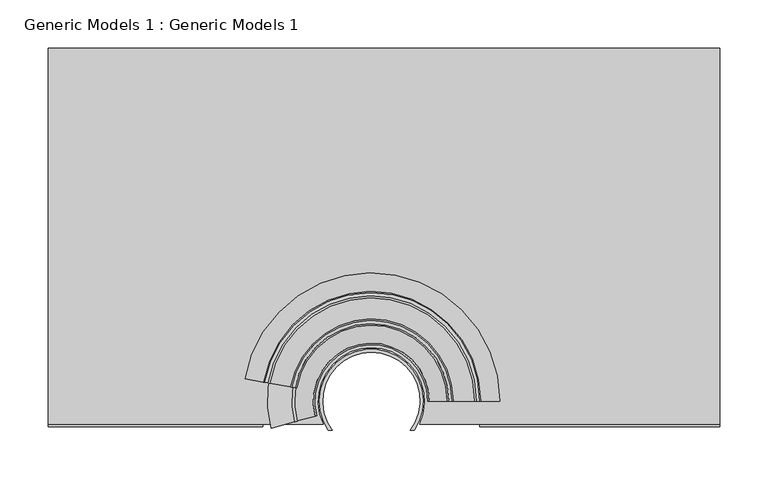
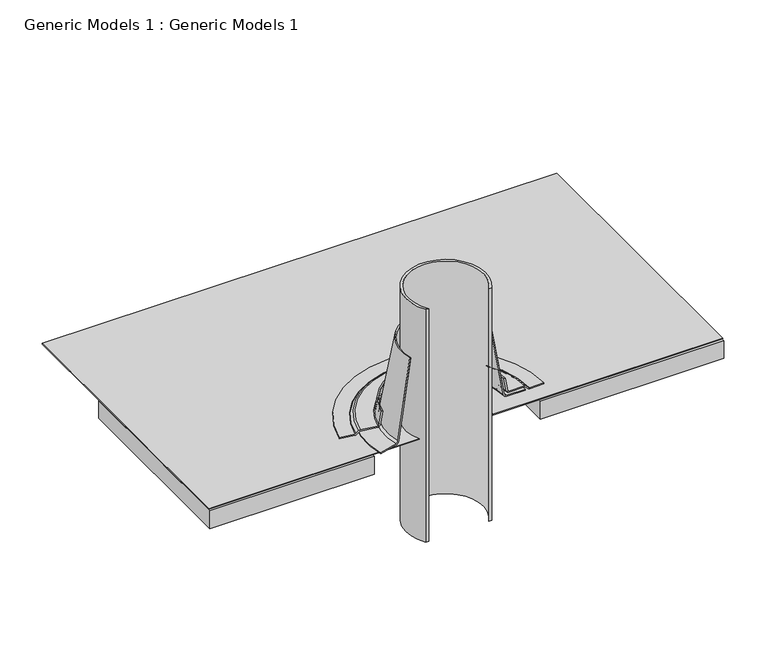
"""IFC4 building model written with IfcOpenShell, lengths in millimetres: proxy geometry, Generic Models 1 : Generic Models 1."""

from ifc_helpers import new_model, si_unit, point, frame, frame_2d, origin, place, context, project, spatial, polyline, circle_curve, ellipse_curve, trimmed, segment, composite_curve, outline, extrude, source, transform, mapped, element, save
from ifc_brep_helpers import plane_surface, cylinder_surface, revolved_surface, advanced_brep


def generic_models_1_generic_models_1_8a717d6e(model_context):
    return source(origin(), model_context, "Body", "SolidModel", [
        advanced_brep(
        [(103.8980784, 26.8183165, 394.3616887), (107.2501183, 26.8183165, 375.3513261), (110.3768829, 26.8183165, 372.727659), (132.2173863, 26.8183165, 372.727659), (133.3399183, 26.8183165, 372.2626911), (136.7075143, 26.8183165, 368.895095), (138.9525784, 26.8183165, 367.965159), (158.2749503, 26.8183165, 367.965159), (158.2749503, 26.8183165, 369.552659), (138.9525784, 26.8183165, 369.552659), (137.8300464, 26.8183165, 370.017627), (134.4624503, 26.8183165, 373.3852231), (132.2173863, 26.8183165, 374.315159), (110.3768829, 26.8183165, 374.315159), (108.8135006, 26.8183165, 375.6269926), (105.4614607, 26.8183165, 394.6373551), (-52.8483986, 40.5318563, 394.3616887), (-54.3880296, 40.8033348, 394.6373551), (-57.6891444, 41.3854104, 375.6269926), (-59.2287754, 41.6568889, 374.315159), (-80.7374725, 45.4494525, 374.315159), (-82.9484289, 45.8393037, 373.3852231), (-86.2648636, 46.4240807, 370.017627), (-87.3703419, 46.6190063, 369.552659), (-106.3991636, 49.974301, 369.552659), (-106.3991636, 49.974301, 367.965159), (-87.3703419, 46.6190063, 367.965159), (-85.1593854, 46.229155, 368.895095), (-81.8429507, 45.6443781, 372.2626911), (-80.7374725, 45.4494525, 372.727659), (-59.2287754, 41.6568889, 372.727659), (-56.1495134, 41.1139319, 375.3513261)],
        [
            (0, 1),
            (1, 2, circle_curve(frame((110.3768829, 26.8183165, 375.902659), z_axis=(0.0, -1.0, 0.0), x_axis=(1.0, 0.0, 0.0)), 3.175)),
            (2, 3),
            (3, 4, circle_curve(frame((132.2173863, 26.8183165, 371.140159), z_axis=(0.0, 1.0, 0.0), x_axis=(1.0, 0.0, 0.0)), 1.5875)),
            (4, 5),
            (5, 6, circle_curve(frame((138.9525784, 26.8183165, 371.140159), z_axis=(0.0, -1.0, 0.0), x_axis=(1.0, 0.0, 0.0)), 3.175)),
            (6, 7),
            (7, 8),
            (8, 9),
            (9, 10, circle_curve(frame((138.9525784, 26.8183165, 371.140159), z_axis=(0.0, 1.0, 0.0), x_axis=(1.0, 0.0, 0.0)), 1.5875)),
            (10, 11),
            (11, 12, circle_curve(frame((132.2173863, 26.8183165, 371.140159), z_axis=(0.0, -1.0, 0.0), x_axis=(1.0, 0.0, 0.0)), 3.175)),
            (12, 13),
            (13, 14, circle_curve(frame((110.3768829, 26.8183165, 375.902659), z_axis=(0.0, 1.0, 0.0), x_axis=(1.0, 0.0, 0.0)), 1.5875)),
            (14, 15),
            (15, 0),
            (16, 17),
            (17, 18),
            (18, 19, circle_curve(frame((-59.2287754, 41.6568889, 375.902659), z_axis=(0.17364817766693683, 0.9848077530122069, 0.0), x_axis=(-0.9848077530122069, 0.17364817766693683, 0.0)), 1.5875)),
            (19, 20),
            (20, 21, circle_curve(frame((-80.7374725, 45.4494525, 371.140159), z_axis=(-0.17364817766693683, -0.9848077530122069, 0.0), x_axis=(-0.9848077530122069, 0.17364817766693683, 0.0)), 3.175)),
            (21, 22),
            (22, 23, circle_curve(frame((-87.3703419, 46.6190063, 371.140159), z_axis=(0.17364817766693683, 0.9848077530122069, 0.0), x_axis=(-0.9848077530122069, 0.17364817766693683, 0.0)), 1.5875)),
            (23, 24),
            (24, 25),
            (25, 26),
            (26, 27, circle_curve(frame((-87.3703419, 46.6190063, 371.140159), z_axis=(-0.17364817766693683, -0.9848077530122069, 0.0), x_axis=(-0.9848077530122069, 0.17364817766693683, 0.0)), 3.175)),
            (27, 28),
            (28, 29, circle_curve(frame((-80.7374725, 45.4494525, 371.140159), z_axis=(0.17364817766693683, 0.9848077530122069, 0.0), x_axis=(-0.9848077530122069, 0.17364817766693683, 0.0)), 1.5875)),
            (29, 30),
            (30, 31, circle_curve(frame((-59.2287754, 41.6568889, 375.902659), z_axis=(-0.17364817766693683, -0.9848077530122069, 0.0), x_axis=(-0.9848077530122069, 0.17364817766693683, 0.0)), 3.175)),
            (31, 16),
            (31, 1, circle_curve(frame((24.9249503, 26.8183165, 375.3513261), z_axis=(0.0, 0.0, -1.0), x_axis=(1.0, 0.0, 0.0)), 82.325168)),
            (0, 16, circle_curve(frame((24.9249503, 26.8183165, 394.3616887), z_axis=(0.0, 0.0, 1.0), x_axis=(1.0, 0.0, 0.0)), 78.9731281)),
            (30, 2, circle_curve(frame((24.9249503, 26.8183165, 372.727659), z_axis=(0.0, 0.0, -1.0), x_axis=(1.0, 0.0, 0.0)), 85.4519326)),
            (29, 3, circle_curve(frame((24.9249503, 26.8183165, 372.727659), z_axis=(0.0, 0.0, -1.0), x_axis=(1.0, 0.0, 0.0)), 107.292436)),
            (28, 4, circle_curve(frame((24.9249503, 26.8183165, 372.2626911), z_axis=(0.0, 0.0, -1.0), x_axis=(1.0, 0.0, 0.0)), 108.414968)),
            (27, 5, circle_curve(frame((24.9249503, 26.8183165, 368.895095), z_axis=(0.0, 0.0, -1.0), x_axis=(1.0, 0.0, 0.0)), 111.782564)),
            (26, 6, circle_curve(frame((24.9249503, 26.8183165, 367.965159), z_axis=(0.0, 0.0, -1.0), x_axis=(1.0, 0.0, 0.0)), 114.0276281)),
            (25, 7, circle_curve(frame((24.9249503, 26.8183165, 367.965159), z_axis=(0.0, 0.0, -1.0), x_axis=(1.0, 0.0, 0.0)), 133.35)),
            (24, 8, circle_curve(frame((24.9249503, 26.8183165, 369.552659), z_axis=(0.0, 0.0, -1.0), x_axis=(1.0, 0.0, 0.0)), 133.35)),
            (23, 9, circle_curve(frame((24.9249503, 26.8183165, 369.552659), z_axis=(0.0, 0.0, -1.0), x_axis=(1.0, 0.0, 0.0)), 114.0276281)),
            (22, 10, circle_curve(frame((24.9249503, 26.8183165, 370.017627), z_axis=(0.0, 0.0, -1.0), x_axis=(1.0, 0.0, 0.0)), 112.905096)),
            (21, 11, circle_curve(frame((24.9249503, 26.8183165, 373.3852231), z_axis=(0.0, 0.0, -1.0), x_axis=(1.0, 0.0, 0.0)), 109.5375)),
            (20, 12, circle_curve(frame((24.9249503, 26.8183165, 374.315159), z_axis=(0.0, 0.0, -1.0), x_axis=(1.0, 0.0, 0.0)), 107.292436)),
            (19, 13, circle_curve(frame((24.9249503, 26.8183165, 374.315159), z_axis=(0.0, 0.0, -1.0), x_axis=(1.0, 0.0, 0.0)), 85.4519326)),
            (18, 14, circle_curve(frame((24.9249503, 26.8183165, 375.6269926), z_axis=(0.0, 0.0, -1.0), x_axis=(1.0, 0.0, 0.0)), 83.8885503)),
            (17, 15, circle_curve(frame((24.9249503, 26.8183165, 394.6373551), z_axis=(0.0, 0.0, -1.0), x_axis=(1.0, 0.0, 0.0)), 80.5365104)),
        ],
        [
            plane_surface(frame((24.9249503, 26.8183165, 553.3315424), z_axis=(0.0, -1.0, 0.0), x_axis=(1.0, 0.0, 0.0))),
            plane_surface(frame((24.9249503, 26.8183165, 553.3315424), z_axis=(-0.17364817766693685, -0.984807753012207, 0.0), x_axis=(-0.984807753012207, 0.17364817766693685, 0.0))),
            revolved_surface(polyline([(103.8980784, 26.8183165, 394.3616887), (107.2501183, 26.8183165, 375.3513261)]), (24.9249503, 26.8183165, 553.3315424), (0.0, 0.0, 1.0)),
            revolved_surface(trimmed(ellipse_curve(frame((110.3768829, 26.8183165, 375.902659), z_axis=(0.0, -1.0, 0.0), x_axis=(1.0, 0.0, 0.0)), 3.175, 3.175), [point((107.2501183, 26.8183165, 375.3513261))], [point((110.3768829, 26.8183165, 372.727659))], True, "CARTESIAN"), (24.9249503, 26.8183165, 553.3315424), (0.0, 0.0, 1.0)),
            plane_surface(frame((24.9249503, 26.8183165, 372.727659), z_axis=(0.0, 0.0, -1.0), x_axis=(1.0, 0.0, 0.0))),
            revolved_surface(trimmed(ellipse_curve(frame((132.2173863, 26.8183165, 371.140159), z_axis=(0.0, 1.0, 0.0), x_axis=(1.0, 0.0, 0.0)), 1.5875, 1.5875), [point((132.2173863, 26.8183165, 372.727659))], [point((133.3399183, 26.8183165, 372.2626911))], True, "CARTESIAN"), (24.9249503, 26.8183165, 553.3315424), (0.0, 0.0, 1.0)),
            revolved_surface(polyline([(133.3399183, 26.8183165, 372.2626911), (136.7075143, 26.8183165, 368.895095)]), (24.9249503, 26.8183165, 553.3315424), (0.0, 0.0, 1.0)),
            revolved_surface(trimmed(ellipse_curve(frame((138.9525784, 26.8183165, 371.140159), z_axis=(0.0, -1.0, 0.0), x_axis=(1.0, 0.0, 0.0)), 3.175, 3.175), [point((136.7075143, 26.8183165, 368.895095))], [point((138.9525784, 26.8183165, 367.965159))], True, "CARTESIAN"), (24.9249503, 26.8183165, 553.3315424), (0.0, 0.0, 1.0)),
            plane_surface(frame((24.9249503, 26.8183165, 367.965159), z_axis=(0.0, 0.0, -1.0), x_axis=(1.0, 0.0, 0.0))),
            cylinder_surface(frame((24.9249503, 26.8183165, 553.3315424), z_axis=(0.0, 0.0, 1.0), x_axis=(1.0, 0.0, 0.0)), 133.35),
            plane_surface(frame((24.9249503, 26.8183165, 369.552659), z_axis=(0.0, 0.0, 1.0), x_axis=(1.0, 0.0, 0.0))),
            revolved_surface(trimmed(ellipse_curve(frame((138.9525784, 26.8183165, 371.140159), z_axis=(0.0, 1.0, 0.0), x_axis=(1.0, 0.0, 0.0)), 1.5875, 1.5875), [point((138.9525784, 26.8183165, 369.552659))], [point((137.8300464, 26.8183165, 370.017627))], True, "CARTESIAN"), (24.9249503, 26.8183165, 553.3315424), (0.0, 0.0, 1.0)),
            revolved_surface(polyline([(137.8300464, 26.8183165, 370.017627), (134.4624503, 26.8183165, 373.3852231)]), (24.9249503, 26.8183165, 553.3315424), (0.0, 0.0, 1.0)),
            revolved_surface(trimmed(ellipse_curve(frame((132.2173863, 26.8183165, 371.140159), z_axis=(0.0, -1.0, 0.0), x_axis=(1.0, 0.0, 0.0)), 3.175, 3.175), [point((134.4624503, 26.8183165, 373.3852231))], [point((132.2173863, 26.8183165, 374.315159))], True, "CARTESIAN"), (24.9249503, 26.8183165, 553.3315424), (0.0, 0.0, 1.0)),
            plane_surface(frame((24.9249503, 26.8183165, 374.315159), z_axis=(0.0, 0.0, 1.0), x_axis=(1.0, 0.0, 0.0))),
            revolved_surface(trimmed(ellipse_curve(frame((110.3768829, 26.8183165, 375.902659), z_axis=(0.0, 1.0, 0.0), x_axis=(1.0, 0.0, 0.0)), 1.5875, 1.5875), [point((110.3768829, 26.8183165, 374.315159))], [point((108.8135006, 26.8183165, 375.6269926))], True, "CARTESIAN"), (24.9249503, 26.8183165, 553.3315424), (0.0, 0.0, 1.0)),
            revolved_surface(polyline([(108.8135006, 26.8183165, 375.6269926), (105.4614607, 26.8183165, 394.6373551)]), (24.9249503, 26.8183165, 553.3315424), (0.0, 0.0, 1.0)),
            revolved_surface(polyline([(105.4614607, 26.8183165, 394.6373551), (103.8980784, 26.8183165, 394.3616887)]), (24.9249503, 26.8183165, 553.3315424), (0.0, 0.0, 1.0)),
        ],
        [
            (0, [[1, 2, 3, 4, 5, 6, 7, 8, 9, 10, 11, 12, 13, 14, 15, 16]]),
            (1, [[17, 18, 19, 20, 21, 22, 23, 24, 25, 26, 27, 28, 29, 30, 31, 32]]),
            (2, [[33, -1, 34, -32]]),
            (3, [[35, -2, -33, -31]]),
            (4, [[36, -3, -35, -30]]),
            (5, [[37, -4, -36, -29]]),
            (6, [[38, -5, -37, -28]]),
            (7, [[39, -6, -38, -27]]),
            (8, [[40, -7, -39, -26]]),
            (9, [[41, -8, -40, -25]]),
            (10, [[42, -9, -41, -24]]),
            (11, [[43, -10, -42, -23]]),
            (12, [[44, -11, -43, -22]]),
            (13, [[45, -12, -44, -21]]),
            (14, [[46, -13, -45, -20]]),
            (15, [[47, -14, -46, -19]]),
            (16, [[48, -15, -47, -18]]),
            (17, [[-34, -16, -48, -17]]),
        ],
    ),
        advanced_brep(
        [(132.8749503, 26.8183165, 367.965159), (132.8749503, 26.8183165, 369.552659), (107.7127416, 26.8183165, 369.552659), (104.5859769, 26.8183165, 372.1763261), (85.2258326, 26.8183165, 481.9731606), (83.6624503, 26.8183165, 481.6974942), (103.0225946, 26.8183165, 371.9006596), (107.7127416, 26.8183165, 367.965159), (-79.3467426, -1.1211994, 367.965159), (-55.0419154, 5.3912594, 367.965159), (-50.5115813, 6.6051588, 371.9006596), (-31.8111179, 11.6159328, 481.6974942), (-33.3212293, 11.2112997, 481.9731606), (-52.0216927, 6.2005256, 372.1763261), (-55.0419154, 5.3912594, 369.552659), (-79.3467426, -1.1211994, 369.552659)],
        [
            (0, 1),
            (1, 2),
            (2, 3, circle_curve(frame((107.7127416, 26.8183165, 372.727659), z_axis=(0.0, 1.0, 0.0), x_axis=(1.0, 0.0, 0.0)), 3.175)),
            (3, 4),
            (4, 5),
            (5, 6),
            (6, 7, circle_curve(frame((107.7127416, 26.8183165, 372.727659), z_axis=(0.0, -1.0, 0.0), x_axis=(1.0, 0.0, 0.0)), 4.7625)),
            (7, 0),
            (8, 9),
            (9, 10, circle_curve(frame((-55.0419154, 5.3912594, 372.727659), z_axis=(0.2588190451025139, -0.9659258262890701, 0.0), x_axis=(-0.9659258262890701, -0.2588190451025139, 0.0)), 4.7625)),
            (10, 11),
            (11, 12),
            (12, 13),
            (13, 14, circle_curve(frame((-55.0419154, 5.3912594, 372.727659), z_axis=(-0.2588190451025139, 0.9659258262890701, 0.0), x_axis=(-0.9659258262890701, -0.2588190451025139, 0.0)), 3.175)),
            (14, 15),
            (15, 8),
            (14, 2, circle_curve(frame((24.9249503, 26.8183165, 369.552659), z_axis=(0.0, 0.0, -1.0), x_axis=(1.0, 0.0, 0.0)), 82.7877913)),
            (1, 15, circle_curve(frame((24.9249503, 26.8183165, 369.552659), z_axis=(0.0, 0.0, 1.0), x_axis=(1.0, 0.0, 0.0)), 107.95)),
            (8, 0, circle_curve(frame((24.9249503, 26.8183165, 367.965159), z_axis=(0.0, 0.0, -1.0), x_axis=(1.0, 0.0, 0.0)), 107.95)),
            (7, 9, circle_curve(frame((24.9249503, 26.8183165, 367.965159), z_axis=(0.0, 0.0, 1.0), x_axis=(1.0, 0.0, 0.0)), 82.7877913)),
            (13, 3, circle_curve(frame((24.9249503, 26.8183165, 372.1763261), z_axis=(0.0, 0.0, -1.0), x_axis=(1.0, 0.0, 0.0)), 79.6610266)),
            (12, 4, circle_curve(frame((24.9249503, 26.8183165, 481.9731606), z_axis=(0.0, 0.0, -1.0), x_axis=(1.0, 0.0, 0.0)), 60.3008823)),
            (11, 5, circle_curve(frame((24.9249503, 26.8183165, 481.6974942), z_axis=(0.0, 0.0, -1.0), x_axis=(1.0, 0.0, 0.0)), 58.7375)),
            (10, 6, circle_curve(frame((24.9249503, 26.8183165, 371.9006596), z_axis=(0.0, 0.0, -1.0), x_axis=(1.0, 0.0, 0.0)), 78.0976443)),
        ],
        [
            plane_surface(frame((24.9249503, 26.8183165, 553.3315424), z_axis=(0.0, -1.0, 0.0), x_axis=(1.0, 0.0, 0.0))),
            plane_surface(frame((24.9249503, 26.8183165, 553.3315424), z_axis=(0.25881904510251386, -0.9659258262890701, 0.0), x_axis=(-0.9659258262890701, -0.25881904510251386, 0.0))),
            plane_surface(frame((24.9249503, 26.8183165, 369.552659), z_axis=(0.0, 0.0, 1.0), x_axis=(1.0, 0.0, 0.0))),
            plane_surface(frame((24.9249503, 26.8183165, 367.965159), z_axis=(0.0, 0.0, -1.0), x_axis=(1.0, 0.0, 0.0))),
            revolved_surface(trimmed(ellipse_curve(frame((107.7127416, 26.8183165, 372.727659), z_axis=(0.0, 1.0, 0.0), x_axis=(1.0, 0.0, 0.0)), 3.175, 3.175), [point((107.7127416, 26.8183165, 369.552659))], [point((104.5859769, 26.8183165, 372.1763261))], True, "CARTESIAN"), (24.9249503, 26.8183165, 553.3315424), (0.0, 0.0, 1.0)),
            revolved_surface(polyline([(104.5859769, 26.8183165, 372.1763261), (85.2258326, 26.8183165, 481.9731606)]), (24.9249503, 26.8183165, 553.3315424), (0.0, 0.0, 1.0)),
            revolved_surface(polyline([(85.2258326, 26.8183165, 481.9731606), (83.6624503, 26.8183165, 481.6974942)]), (24.9249503, 26.8183165, 553.3315424), (0.0, 0.0, 1.0)),
            revolved_surface(polyline([(83.6624503, 26.8183165, 481.6974942), (103.0225946, 26.8183165, 371.9006596)]), (24.9249503, 26.8183165, 553.3315424), (0.0, 0.0, 1.0)),
            revolved_surface(trimmed(ellipse_curve(frame((107.7127416, 26.8183165, 372.727659), z_axis=(0.0, -1.0, 0.0), x_axis=(1.0, 0.0, 0.0)), 4.7625, 4.7625), [point((103.0225946, 26.8183165, 371.9006596))], [point((107.7127416, 26.8183165, 367.965159))], True, "CARTESIAN"), (24.9249503, 26.8183165, 553.3315424), (0.0, 0.0, 1.0)),
            cylinder_surface(frame((24.9249503, 26.8183165, 553.3315424), z_axis=(0.0, 0.0, 1.0), x_axis=(1.0, 0.0, 0.0)), 107.95),
        ],
        [
            (0, [[1, 2, 3, 4, 5, 6, 7, 8]]),
            (1, [[9, 10, 11, 12, 13, 14, 15, 16]]),
            (2, [[17, -2, 18, -15]]),
            (3, [[19, -8, 20, -9]]),
            (4, [[21, -3, -17, -14]]),
            (5, [[22, -4, -21, -13]]),
            (6, [[23, -5, -22, -12]]),
            (7, [[24, -6, -23, -11]]),
            (8, [[-20, -7, -24, -10]]),
            (9, [[-18, -1, -19, -16]]),
        ],
    ),
        extrude(outline(composite_curve([segment(polyline([(-311.15, 393.8469389), (387.35, 393.8469389), (387.35, 2.7803271), (75.0185274, 2.7803271)]), True, "CONTINUOUS"), segment(trimmed(circle_curve(frame_2d((24.9249503, 26.8183165)), 55.5625), [point((75.0185274, 2.7803271))], [point((-25.1686268, 2.7803271))], True, "CARTESIAN"), True, "CONTINUOUS"), segment(polyline([(-25.1686268, 2.7803271), (-311.15, 2.7803271), (-311.15, 393.8469389)]), True, "CONTINUOUS")], self_intersect=False)), frame((0.0, 0.0, 367.0935914), z_axis=(0.0, 0.0, 1.0), x_axis=(1.0, 0.0, 0.0)), (0.0, 0.0, 1.0), 0.79375),
        extrude(outline(polyline([(-311.15, 261.3017557), (387.35, 261.3017557), (387.35, 0.0), (137.8831433, 0.0), (137.8831433, 150.8125), (-88.0332426, 150.8125), (-88.0332426, 0.0), (-311.15, 0.0), (-311.15, 261.3017557)])), frame((0.0, 0.0, 340.8998414), z_axis=(0.0, 0.0, 1.0), x_axis=(1.0, 0.0, 0.0)), (0.0, 0.0, 1.0), 25.4),
        extrude(outline(composite_curve([segment(polyline([(-15.7164484, -3.6598185), (-19.6214739, -3.6598185)]), True, "CONTINUOUS"), segment(trimmed(circle_curve(frame_2d((24.9249503, 26.8183165)), 53.975), [point((-19.6214739, -3.6598185))], [point((69.4713745, -3.6598185))], False, "CARTESIAN"), True, "CONTINUOUS"), segment(polyline([(69.4713745, -3.6598185), (65.566349, -3.6598185)]), True, "CONTINUOUS"), segment(trimmed(circle_curve(frame_2d((24.9249503, 26.8183165)), 50.8), [point((65.566349, -3.6598185))], [point((-15.7164484, -3.6598185))], True, "CARTESIAN"), True, "CONTINUOUS")], self_intersect=False)), frame((0.0, 0.0, 221.5202023), z_axis=(0.0, 0.0, 1.0), x_axis=(1.0, 0.0, 0.0)), (0.0, 0.0, 1.0), 334.1672693),
    ])


if __name__ == "__main__":
    model = new_model("IFC4")
    model_context = context("Model", 3, world=origin())
    ifc_project = project(units=[si_unit("LENGTHUNIT", "METRE", prefix="MILLI")], contexts=[model_context])
    site = spatial("IfcSite", under=ifc_project)
    building = spatial("IfcBuilding", under=site)
    placement = place(None, origin())
    generic_models_1_generic_models_1_shape = generic_models_1_generic_models_1_8a717d6e(model_context)
    element("IfcBuildingElementProxy", 1, Name="Generic Models 1 : Generic Models 1", ObjectType="Generic Models 1 : Generic Models 1", at=placement, inside=building, context=model_context, shape_type="MappedRepresentation", body=[
        mapped(generic_models_1_generic_models_1_shape, transform((0.0, 0.0, 0.0), x_axis=(1.0, 0.0, 0.0), y_axis=(0.0, 1.0, 0.0), z_axis=(0.0, 0.0, 1.0))),
    ])
    save(model, "model.ifc")
